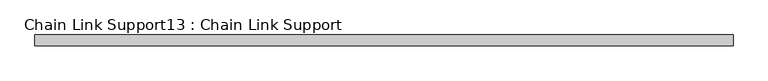
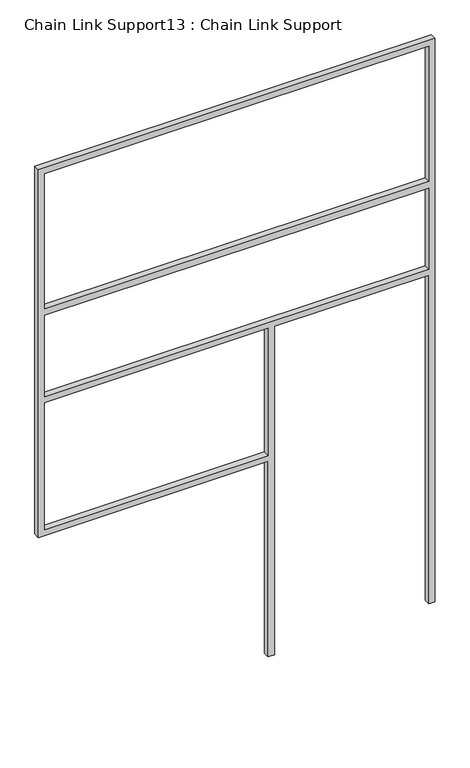
"""IFC4 building model written with IfcOpenShell, lengths in millimetres: proxy geometry, Chain Link Support13 : Chain Link Support."""

from ifc_helpers import new_model, si_unit, frame, origin, place, context, project, spatial, polyline, outline, extrude, source, transform, mapped, element, save


def chain_link_support13_chain_link_support_0452d0ff(model_context):
    return source(origin(), model_context, "Body", "SweptSolid", [
        extrude(outline(polyline([(3657.6, -22171.3993371), (3657.6, -24609.7993371), (1270.0, -24609.7993371), (1270.0, -23196.9243371), (0.0, -23196.9243371), (0.0, -23158.8243371), (2133.6, -23158.8243371), (2133.6, -22209.4993371), (0.0, -22209.4993371), (0.0, -22171.3993371), (3657.6, -22171.3993371)]), holes=[polyline([(2171.7, -22209.4993371), (2171.7, -24571.6993371), (2698.75, -24571.6993371), (2698.75, -22209.4993371), (2171.7, -22209.4993371)]), polyline([(1308.1, -24571.6993371), (2133.6, -24571.6993371), (2133.6, -23196.9243371), (1308.1, -23196.9243371), (1308.1, -24571.6993371)]), polyline([(2743.2, -22209.4993371), (2743.2, -24571.6993371), (3619.5, -24571.6993371), (3619.5, -22209.4993371), (2743.2, -22209.4993371)])]), frame((0.0, -3998.1978765, 0.0), z_axis=(0.0, 1.0, 0.0), x_axis=(0.0, 0.0, 1.0)), (0.0, 0.0, 1.0), 38.1),
    ])


if __name__ == "__main__":
    model = new_model("IFC4")
    model_context = context("Model", 3, world=origin())
    ifc_project = project(units=[si_unit("LENGTHUNIT", "METRE", prefix="MILLI")], contexts=[model_context])
    site = spatial("IfcSite", under=ifc_project)
    building = spatial("IfcBuilding", under=site)
    placement = place(None, origin())
    chain_link_support13_chain_link_support_shape = chain_link_support13_chain_link_support_0452d0ff(model_context)
    element("IfcBuildingElementProxy", 1, Name="Chain Link Support13 : Chain Link Support", ObjectType="Chain Link Support13 : Chain Link Support", at=placement, inside=building, context=model_context, shape_type="MappedRepresentation", body=[
        mapped(chain_link_support13_chain_link_support_shape, transform((0.0, 0.0, 0.0), x_axis=(1.0, 0.0, 0.0), y_axis=(0.0, 1.0, 0.0), z_axis=(0.0, 0.0, 1.0))),
    ])
    save(model, "model.ifc")
